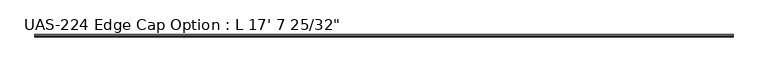
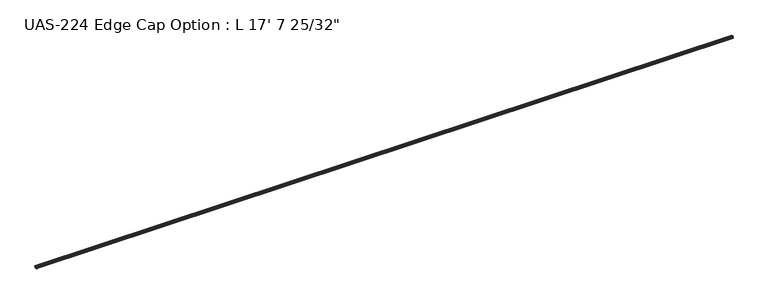
"""IFC4 building model written with IfcOpenShell, lengths in millimetres: proxy geometry."""

import ifcopenshell
import ifcopenshell.guid

model = None  # the IFC model being written
_history = None  # IfcOwnerHistory: only IFC2X3 demands one
_inside = {}  # id of a spatial element -> (the spatial element, [elements in it])
_under = {}  # id of a project, library or spatial element -> (it, [spatial elements below it])
_declared = {}  # id of a project -> (the project, [libraries it declares])
_typed = {}  # id of a type object -> (the type object, [elements of that type])
_made_of = {}  # id of a material, layer set ... -> (it, [elements and type objects made of it])


def new_model(schema):
    """Start an empty IFC model of exactly this schema.

    Asked for "IFC4X3", IfcOpenShell would pick the latest addendum, in which some entities
    have other attributes; the version numbers below select the first issue.
    IFC2X3 requires an IfcOwnerHistory on every rooted entity: one is made here for all.
    """
    global model, _history
    if schema == "IFC4X3":
        model = ifcopenshell.file(schema_version=(4, 3, 0, 0))
    else:
        model = ifcopenshell.file(schema=schema)
    _inside.clear()
    _under.clear()
    _declared.clear()
    _typed.clear()
    _made_of.clear()
    _history = None
    if model.schema == "IFC2X3":
        org = make("IfcOrganization", Name="unknown")
        user = make(
            "IfcPersonAndOrganization",
            ThePerson=make("IfcPerson", FamilyName="unknown"),
            TheOrganization=org,
        )
        app = make(
            "IfcApplication",
            ApplicationDeveloper=org,
            Version="unknown",
            ApplicationFullName="unknown",
            ApplicationIdentifier="unknown",
        )
        _history = make(
            "IfcOwnerHistory",
            OwningUser=user,
            OwningApplication=app,
            ChangeAction="ADDED",
            CreationDate=0,
        )
    return model


def make(cls, **values):
    """One entity of the class cls with the attributes given. An attribute that is None is left unset."""
    return model.create_entity(
        cls, **{name: value for name, value in values.items() if value is not None}
    )


def rooted(cls, **values):
    """An entity with a GlobalId (a new one), such as an element, a storey or a relation."""
    return make(cls, GlobalId=ifcopenshell.guid.new(), OwnerHistory=_history, **values)


def si_unit(unit_type, name, prefix=None):
    """IfcSIUnit, for example si_unit("LENGTHUNIT", "METRE", prefix="MILLI")."""
    return make("IfcSIUnit", UnitType=unit_type, Prefix=prefix, Name=name)


def assignment(units):
    """IfcUnitAssignment: the units of a project."""
    return None if units is None else make("IfcUnitAssignment", Units=units)


def point(xyz):
    """IfcCartesianPoint."""
    return None if xyz is None else make("IfcCartesianPoint", Coordinates=xyz)


def direction(xyz):
    """IfcDirection."""
    return None if xyz is None else make("IfcDirection", DirectionRatios=xyz)


def frame(location, z_axis=None, x_axis=None):
    """IfcAxis2Placement3D, a coordinate frame: its origin and axes. An axis left out is left unset."""
    return make(
        "IfcAxis2Placement3D",
        Location=point(location),
        Axis=direction(z_axis),
        RefDirection=direction(x_axis),
    )


def frame_2d(location, x_axis=None):
    """IfcAxis2Placement2D, a coordinate frame in the plane: its origin and x axis."""
    return make(
        "IfcAxis2Placement2D", Location=point(location), RefDirection=direction(x_axis)
    )


def origin():
    """The frame at (0, 0, 0) with its axes left unset."""
    return frame((0.0, 0.0, 0.0))


def place(relative_to, where):
    """IfcLocalPlacement: puts the frame where relative to a parent placement (None: the world)."""
    return make(
        "IfcLocalPlacement", PlacementRelTo=relative_to, RelativePlacement=where
    )


def context(
    kind, dimensions, precision=None, world=None, true_north=None, identifier=None
):
    """IfcGeometricRepresentationContext, for example the 3D "Model" context."""
    return make(
        "IfcGeometricRepresentationContext",
        ContextIdentifier=identifier,
        ContextType=kind,
        CoordinateSpaceDimension=dimensions,
        Precision=precision,
        WorldCoordinateSystem=world,
        TrueNorth=true_north,
    )


def project(units=None, contexts=None):
    """IfcProject with its units and contexts."""
    return rooted(
        "IfcProject",
        Name="project",
        RepresentationContexts=contexts,
        UnitsInContext=assignment(units),
    )


def spatial(cls, under=None, at=None, **own):
    """A site, building, storey or space (cls), placed at a placement, below another one or the project."""
    s = rooted(cls, ObjectPlacement=at, **own)
    if under is not None:
        _under.setdefault(under.id(), (under, []))[1].append(s)
    return s


def polyline(points):
    """IfcPolyline through the points."""
    return make("IfcPolyline", Points=[point(p) for p in points])


def circle_curve(where, radius):
    """IfcCircle in the frame where."""
    return make("IfcCircle", Position=where, Radius=radius)


def trimmed(basis, trim1, trim2, sense, master):
    """IfcTrimmedCurve: the piece of a basis curve between two trims."""
    return make(
        "IfcTrimmedCurve",
        BasisCurve=basis,
        Trim1=trim1,
        Trim2=trim2,
        SenseAgreement=sense,
        MasterRepresentation=master,
    )


def segment(curve, same_sense, transition):
    """IfcCompositeCurveSegment."""
    return make(
        "IfcCompositeCurveSegment",
        Transition=transition,
        SameSense=same_sense,
        ParentCurve=curve,
    )


def composite_curve(segments, self_intersect=None):
    """IfcCompositeCurve: segments joined end to end."""
    return make("IfcCompositeCurve", Segments=segments, SelfIntersect=self_intersect)


def outline(outer, holes=None, kind="AREA"):
    """IfcArbitraryClosedProfileDef: a profile drawn as a closed curve; with holes, ...WithVoids."""
    if holes is None:
        return make("IfcArbitraryClosedProfileDef", ProfileType=kind, OuterCurve=outer)
    return make(
        "IfcArbitraryProfileDefWithVoids",
        ProfileType=kind,
        OuterCurve=outer,
        InnerCurves=holes,
    )


def extrude(swept, where, along, depth):
    """IfcExtrudedAreaSolid: the profile swept, set in the frame where, extruded along a direction by depth."""
    return make(
        "IfcExtrudedAreaSolid",
        SweptArea=swept,
        Position=where,
        ExtrudedDirection=direction(along),
        Depth=depth,
    )


def shape(context_of_items, identifier, shape_type, items):
    """IfcShapeRepresentation: the items that make up one representation, for example the "Body"."""
    return make(
        "IfcShapeRepresentation",
        ContextOfItems=context_of_items,
        RepresentationIdentifier=identifier,
        RepresentationType=shape_type,
        Items=items,
    )


def source(mapping_origin, context_of_items, identifier, shape_type, items):
    """IfcRepresentationMap: a shape defined once, which mapped items show again and again."""
    return make(
        "IfcRepresentationMap",
        MappingOrigin=mapping_origin,
        MappedRepresentation=shape(context_of_items, identifier, shape_type, items),
    )


def transform(
    local_origin,
    x_axis=None,
    y_axis=None,
    z_axis=None,
    scale=None,
    scale2=None,
    scale3=None,
    uniform=True,
):
    """IfcCartesianTransformationOperator3D, or its non-uniform kind. x_axis, y_axis, z_axis: its Axis1, 2, 3."""
    if uniform:
        return make(
            "IfcCartesianTransformationOperator3D",
            Axis1=direction(x_axis),
            Axis2=direction(y_axis),
            LocalOrigin=point(local_origin),
            Scale=scale,
            Axis3=direction(z_axis),
        )
    return make(
        "IfcCartesianTransformationOperator3DnonUniform",
        Axis1=direction(x_axis),
        Axis2=direction(y_axis),
        LocalOrigin=point(local_origin),
        Scale=scale,
        Axis3=direction(z_axis),
        Scale2=scale2,
        Scale3=scale3,
    )


def mapped(mapping_source, mapping_target):
    """IfcMappedItem: shows the shape of a source again, moved by a transform."""
    return make(
        "IfcMappedItem", MappingSource=mapping_source, MappingTarget=mapping_target
    )


def made_of(thing, what):
    """Note that an element or type object is made of a material, layer set ...; save() writes the relation."""
    if what is not None:
        _made_of.setdefault(what.id(), (what, []))[1].append(thing)
    return thing


def element(
    cls,
    number,
    at=None,
    inside=None,
    cuts=None,
    type_object=None,
    material=None,
    context=None,
    identifier="Body",
    shape_type=None,
    held_by="IfcProductDefinitionShape",
    body=None,
    shapes=None,
    **own,
):
    """One element of the class cls, such as IfcWall. Its Tag is "e" and its number.

    at: its placement. inside: the storey or other place that contains it. cuts: it is an
    opening in that element (IfcRelVoidsElement). A single representation is given by context,
    identifier, shape_type and body (its items); several are given by shapes. held_by: the class
    of the entity that holds the representations. save() writes the other relations.
    """
    e = rooted(cls, Tag="e%d" % number, ObjectPlacement=at, **own)
    if body is not None:
        shapes = [shape(context, identifier, shape_type, body)]
    if shapes is not None:
        e.Representation = make(held_by, Representations=shapes)
    if inside is not None:
        _inside.setdefault(inside.id(), (inside, []))[1].append(e)
    if cuts is not None:
        rooted(
            "IfcRelVoidsElement", RelatingBuildingElement=cuts, RelatedOpeningElement=e
        )
    if type_object is not None:
        _typed.setdefault(type_object.id(), (type_object, []))[1].append(e)
    return made_of(e, material)


def aggregate(whole, parts):
    """IfcRelAggregates: a whole, such as a stair, and the parts it consists of."""
    return rooted("IfcRelAggregates", RelatingObject=whole, RelatedObjects=parts)


def save(model, path):
    """Write the relations noted so far, then the file.

    IfcRelAggregates (storeys below a building ...), IfcRelContainedInSpatialStructure (elements
    in a storey), IfcRelDefinesByType, IfcRelAssociatesMaterial and IfcRelDeclares: one each for
    every whole, place, type object, material and project.
    """
    for whole, parts in _under.values():
        aggregate(whole, parts)
    for where, things in _inside.values():
        rooted(
            "IfcRelContainedInSpatialStructure",
            RelatedElements=things,
            RelatingStructure=where,
        )
    for kind, things in _typed.values():
        rooted("IfcRelDefinesByType", RelatedObjects=things, RelatingType=kind)
    for what, things in _made_of.values():
        rooted("IfcRelAssociatesMaterial", RelatedObjects=things, RelatingMaterial=what)
    for by, libraries in _declared.values():
        rooted("IfcRelDeclares", RelatingContext=by, RelatedDefinitions=libraries)
    model.write(path)


def proxy_b24b9da7(model_context):
    return source(origin(), model_context, "Body", "SweptSolid", [
        extrude(outline(composite_curve([segment(polyline([(-9.83615, 14.2875), (0.0, 14.2875), (0.0, 13.0669574)]), True, "CONTINUOUS"), segment(trimmed(circle_curve(frame_2d((-0.5981599, 13.0669574)), 0.5981599), [point((0.0, 13.0669574))], [point((-0.5981599, 12.4687975))], False, "CARTESIAN"), True, "CONTINUOUS"), segment(polyline([(-0.5981599, 12.4687975), (-1.3929204, 12.4687975), (-2.1509032, 12.7297919), (-2.9088859, 12.4687975), (-3.6668687, 12.7297919), (-4.4248515, 12.4687975), (-5.1828342, 12.7297919), (-5.940817, 12.4687975), (-6.798801, 12.7297919), (-7.5567838, 12.4687975), (-8.316831, 12.7), (-10.66165, 12.7), (-10.66165, 9.525), (-10.9168139, 8.6861831), (-10.9168139, 7.1888169), (-10.66165, 6.35), (-10.66165, 3.175), (-8.316831, 3.175), (-7.5567838, 3.4062025), (-6.798801, 3.1452081), (-5.940817, 3.4062025), (-5.1828342, 3.1452081), (-4.4248515, 3.4062025), (-3.6668687, 3.1452081), (-2.9088859, 3.4062025), (-2.1509032, 3.1452081), (-1.3929204, 3.4062025), (-0.5981599, 3.4062025)]), True, "CONTINUOUS"), segment(trimmed(circle_curve(frame_2d((-0.5981599, 2.8080426)), 0.5981599), [point((-0.5981599, 3.4062025))], [point((0.0, 2.8080426))], False, "CARTESIAN"), True, "CONTINUOUS"), segment(polyline([(0.0, 2.8080426), (0.0, 1.5875), (-9.83615, 1.5875)]), True, "CONTINUOUS"), segment(trimmed(circle_curve(frame_2d((-11.42365, 1.5875)), 1.5875), [point((-9.83615, 1.5875))], [point((-13.01115, 1.5875))], False, "CARTESIAN"), True, "CONTINUOUS"), segment(polyline([(-13.01115, 1.5875), (-18.085932, 1.5875), (-18.085932, 3.175), (-12.18565, 3.175), (-12.18565, 12.7), (-18.085932, 12.7), (-18.085932, 14.2875), (-13.01115, 14.2875)]), True, "CONTINUOUS"), segment(trimmed(circle_curve(frame_2d((-11.42365, 14.2875)), 1.5875), [point((-13.01115, 14.2875))], [point((-9.83615, 14.2875))], False, "CARTESIAN"), True, "CONTINUOUS")], self_intersect=False)), frame((0.0, 0.0, 0.0), z_axis=(1.0, 0.0, 0.0), x_axis=(0.0, 1.0, 0.0)), (0.0, 0.0, 1.0), 5379.24375),
    ])


if __name__ == "__main__":
    model = new_model("IFC4")
    model_context = context("Model", 3, world=origin())
    ifc_project = project(units=[si_unit("LENGTHUNIT", "METRE", prefix="MILLI")], contexts=[model_context])
    site = spatial("IfcSite", under=ifc_project)
    building = spatial("IfcBuilding", under=site)
    placement = place(None, origin())
    proxy_shape = proxy_b24b9da7(model_context)
    element("IfcBuildingElementProxy", 1, Name="UAS-224 Edge Cap Option : L 17' 7 25/32\"", ObjectType="UAS-224 Edge Cap Option : L 17' 7 25/32\"", at=placement, inside=building, context=model_context, shape_type="MappedRepresentation", body=[
        mapped(proxy_shape, transform((0.0, 0.0, 0.0), x_axis=(1.0, 0.0, 0.0), y_axis=(0.0, 1.0, 0.0), z_axis=(0.0, 0.0, 1.0))),
    ])
    save(model, "model.ifc")
